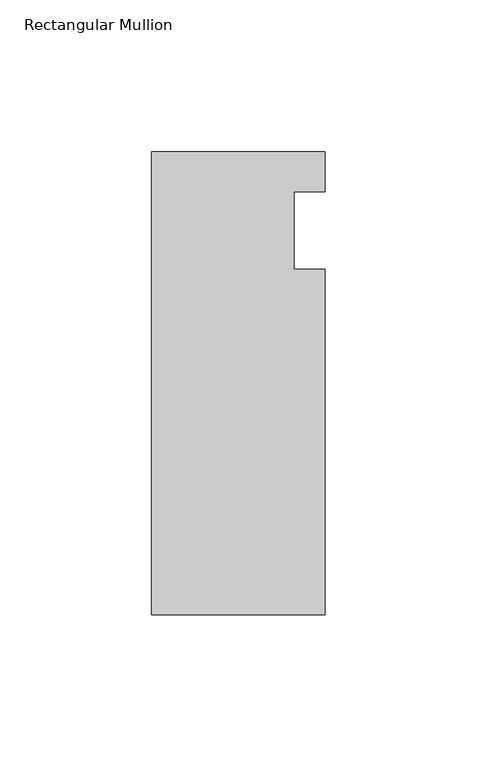
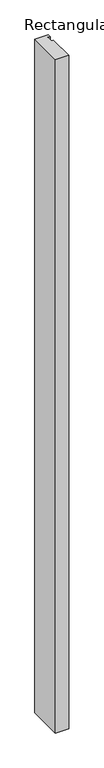
"""IFC4 building model written with IfcOpenShell, lengths in millimetres: member geometry, Rectangular Mullion."""

import ifcopenshell
import ifcopenshell.guid

model = None  # the IFC model being written
_history = None  # IfcOwnerHistory: only IFC2X3 demands one
_inside = {}  # id of a spatial element -> (the spatial element, [elements in it])
_under = {}  # id of a project, library or spatial element -> (it, [spatial elements below it])
_declared = {}  # id of a project -> (the project, [libraries it declares])
_typed = {}  # id of a type object -> (the type object, [elements of that type])
_made_of = {}  # id of a material, layer set ... -> (it, [elements and type objects made of it])


def new_model(schema):
    """Start an empty IFC model of exactly this schema.

    Asked for "IFC4X3", IfcOpenShell would pick the latest addendum, in which some entities
    have other attributes; the version numbers below select the first issue.
    IFC2X3 requires an IfcOwnerHistory on every rooted entity: one is made here for all.
    """
    global model, _history
    if schema == "IFC4X3":
        model = ifcopenshell.file(schema_version=(4, 3, 0, 0))
    else:
        model = ifcopenshell.file(schema=schema)
    _inside.clear()
    _under.clear()
    _declared.clear()
    _typed.clear()
    _made_of.clear()
    _history = None
    if model.schema == "IFC2X3":
        org = make("IfcOrganization", Name="unknown")
        user = make(
            "IfcPersonAndOrganization",
            ThePerson=make("IfcPerson", FamilyName="unknown"),
            TheOrganization=org,
        )
        app = make(
            "IfcApplication",
            ApplicationDeveloper=org,
            Version="unknown",
            ApplicationFullName="unknown",
            ApplicationIdentifier="unknown",
        )
        _history = make(
            "IfcOwnerHistory",
            OwningUser=user,
            OwningApplication=app,
            ChangeAction="ADDED",
            CreationDate=0,
        )
    return model


def make(cls, **values):
    """One entity of the class cls with the attributes given. An attribute that is None is left unset."""
    return model.create_entity(
        cls, **{name: value for name, value in values.items() if value is not None}
    )


def rooted(cls, **values):
    """An entity with a GlobalId (a new one), such as an element, a storey or a relation."""
    return make(cls, GlobalId=ifcopenshell.guid.new(), OwnerHistory=_history, **values)


def si_unit(unit_type, name, prefix=None):
    """IfcSIUnit, for example si_unit("LENGTHUNIT", "METRE", prefix="MILLI")."""
    return make("IfcSIUnit", UnitType=unit_type, Prefix=prefix, Name=name)


def assignment(units):
    """IfcUnitAssignment: the units of a project."""
    return None if units is None else make("IfcUnitAssignment", Units=units)


def point(xyz):
    """IfcCartesianPoint."""
    return None if xyz is None else make("IfcCartesianPoint", Coordinates=xyz)


def direction(xyz):
    """IfcDirection."""
    return None if xyz is None else make("IfcDirection", DirectionRatios=xyz)


def frame(location, z_axis=None, x_axis=None):
    """IfcAxis2Placement3D, a coordinate frame: its origin and axes. An axis left out is left unset."""
    return make(
        "IfcAxis2Placement3D",
        Location=point(location),
        Axis=direction(z_axis),
        RefDirection=direction(x_axis),
    )


def origin():
    """The frame at (0, 0, 0) with its axes left unset."""
    return frame((0.0, 0.0, 0.0))


def place(relative_to, where):
    """IfcLocalPlacement: puts the frame where relative to a parent placement (None: the world)."""
    return make(
        "IfcLocalPlacement", PlacementRelTo=relative_to, RelativePlacement=where
    )


def context(
    kind, dimensions, precision=None, world=None, true_north=None, identifier=None
):
    """IfcGeometricRepresentationContext, for example the 3D "Model" context."""
    return make(
        "IfcGeometricRepresentationContext",
        ContextIdentifier=identifier,
        ContextType=kind,
        CoordinateSpaceDimension=dimensions,
        Precision=precision,
        WorldCoordinateSystem=world,
        TrueNorth=true_north,
    )


def project(units=None, contexts=None):
    """IfcProject with its units and contexts."""
    return rooted(
        "IfcProject",
        Name="project",
        RepresentationContexts=contexts,
        UnitsInContext=assignment(units),
    )


def spatial(cls, under=None, at=None, **own):
    """A site, building, storey or space (cls), placed at a placement, below another one or the project."""
    s = rooted(cls, ObjectPlacement=at, **own)
    if under is not None:
        _under.setdefault(under.id(), (under, []))[1].append(s)
    return s


def polyline(points):
    """IfcPolyline through the points."""
    return make("IfcPolyline", Points=[point(p) for p in points])


def outline(outer, holes=None, kind="AREA"):
    """IfcArbitraryClosedProfileDef: a profile drawn as a closed curve; with holes, ...WithVoids."""
    if holes is None:
        return make("IfcArbitraryClosedProfileDef", ProfileType=kind, OuterCurve=outer)
    return make(
        "IfcArbitraryProfileDefWithVoids",
        ProfileType=kind,
        OuterCurve=outer,
        InnerCurves=holes,
    )


def extrude(swept, where, along, depth):
    """IfcExtrudedAreaSolid: the profile swept, set in the frame where, extruded along a direction by depth."""
    return make(
        "IfcExtrudedAreaSolid",
        SweptArea=swept,
        Position=where,
        ExtrudedDirection=direction(along),
        Depth=depth,
    )


def shape(context_of_items, identifier, shape_type, items):
    """IfcShapeRepresentation: the items that make up one representation, for example the "Body"."""
    return make(
        "IfcShapeRepresentation",
        ContextOfItems=context_of_items,
        RepresentationIdentifier=identifier,
        RepresentationType=shape_type,
        Items=items,
    )


def source(mapping_origin, context_of_items, identifier, shape_type, items):
    """IfcRepresentationMap: a shape defined once, which mapped items show again and again."""
    return make(
        "IfcRepresentationMap",
        MappingOrigin=mapping_origin,
        MappedRepresentation=shape(context_of_items, identifier, shape_type, items),
    )


def transform(
    local_origin,
    x_axis=None,
    y_axis=None,
    z_axis=None,
    scale=None,
    scale2=None,
    scale3=None,
    uniform=True,
):
    """IfcCartesianTransformationOperator3D, or its non-uniform kind. x_axis, y_axis, z_axis: its Axis1, 2, 3."""
    if uniform:
        return make(
            "IfcCartesianTransformationOperator3D",
            Axis1=direction(x_axis),
            Axis2=direction(y_axis),
            LocalOrigin=point(local_origin),
            Scale=scale,
            Axis3=direction(z_axis),
        )
    return make(
        "IfcCartesianTransformationOperator3DnonUniform",
        Axis1=direction(x_axis),
        Axis2=direction(y_axis),
        LocalOrigin=point(local_origin),
        Scale=scale,
        Axis3=direction(z_axis),
        Scale2=scale2,
        Scale3=scale3,
    )


def mapped(mapping_source, mapping_target):
    """IfcMappedItem: shows the shape of a source again, moved by a transform."""
    return make(
        "IfcMappedItem", MappingSource=mapping_source, MappingTarget=mapping_target
    )


def made_of(thing, what):
    """Note that an element or type object is made of a material, layer set ...; save() writes the relation."""
    if what is not None:
        _made_of.setdefault(what.id(), (what, []))[1].append(thing)
    return thing


def element(
    cls,
    number,
    at=None,
    inside=None,
    cuts=None,
    type_object=None,
    material=None,
    context=None,
    identifier="Body",
    shape_type=None,
    held_by="IfcProductDefinitionShape",
    body=None,
    shapes=None,
    **own,
):
    """One element of the class cls, such as IfcWall. Its Tag is "e" and its number.

    at: its placement. inside: the storey or other place that contains it. cuts: it is an
    opening in that element (IfcRelVoidsElement). A single representation is given by context,
    identifier, shape_type and body (its items); several are given by shapes. held_by: the class
    of the entity that holds the representations. save() writes the other relations.
    """
    e = rooted(cls, Tag="e%d" % number, ObjectPlacement=at, **own)
    if body is not None:
        shapes = [shape(context, identifier, shape_type, body)]
    if shapes is not None:
        e.Representation = make(held_by, Representations=shapes)
    if inside is not None:
        _inside.setdefault(inside.id(), (inside, []))[1].append(e)
    if cuts is not None:
        rooted(
            "IfcRelVoidsElement", RelatingBuildingElement=cuts, RelatedOpeningElement=e
        )
    if type_object is not None:
        _typed.setdefault(type_object.id(), (type_object, []))[1].append(e)
    return made_of(e, material)


def aggregate(whole, parts):
    """IfcRelAggregates: a whole, such as a stair, and the parts it consists of."""
    return rooted("IfcRelAggregates", RelatingObject=whole, RelatedObjects=parts)


def save(model, path):
    """Write the relations noted so far, then the file.

    IfcRelAggregates (storeys below a building ...), IfcRelContainedInSpatialStructure (elements
    in a storey), IfcRelDefinesByType, IfcRelAssociatesMaterial and IfcRelDeclares: one each for
    every whole, place, type object, material and project.
    """
    for whole, parts in _under.values():
        aggregate(whole, parts)
    for where, things in _inside.values():
        rooted(
            "IfcRelContainedInSpatialStructure",
            RelatedElements=things,
            RelatingStructure=where,
        )
    for kind, things in _typed.values():
        rooted("IfcRelDefinesByType", RelatedObjects=things, RelatingType=kind)
    for what, things in _made_of.values():
        rooted("IfcRelAssociatesMaterial", RelatedObjects=things, RelatingMaterial=what)
    for by, libraries in _declared.values():
        rooted("IfcRelDeclares", RelatingContext=by, RelatedDefinitions=libraries)
    model.write(path)


def rectangular_mullion_93ea5d6d(model_context):
    return source(origin(), model_context, "Body", "SweptSolid", [
        extrude(outline(polyline([(-0.0050267, -70.2564), (-57.1550267, -70.2564), (-57.1550267, 82.1436), (0.0, 82.1436), (0.0, 68.941835), (-10.1650267, 68.941835), (-10.1650267, 43.541835), (-0.0050267, 43.541835), (-0.0050267, -70.2564)])), frame((0.0, 0.0, -3048.0), z_axis=(0.0, 0.0, 1.0), x_axis=(1.0, 0.0, 0.0)), (0.0, 0.0, 1.0), 3048.0),
    ])


if __name__ == "__main__":
    model = new_model("IFC4")
    model_context = context("Model", 3, world=origin())
    ifc_project = project(units=[si_unit("LENGTHUNIT", "METRE", prefix="MILLI")], contexts=[model_context])
    site = spatial("IfcSite", under=ifc_project)
    building = spatial("IfcBuilding", under=site)
    placement = place(None, origin())
    rectangular_mullion_shape = rectangular_mullion_93ea5d6d(model_context)
    element("IfcMember", 1, ObjectType="Rectangular Mullion", at=placement, inside=building, context=model_context, shape_type="MappedRepresentation", body=[
        mapped(rectangular_mullion_shape, transform((0.0, 0.0, 0.0), x_axis=(1.0, 0.0, 0.0), y_axis=(0.0, 1.0, 0.0), z_axis=(0.0, 0.0, 1.0))),
    ])
    save(model, "model.ifc")
